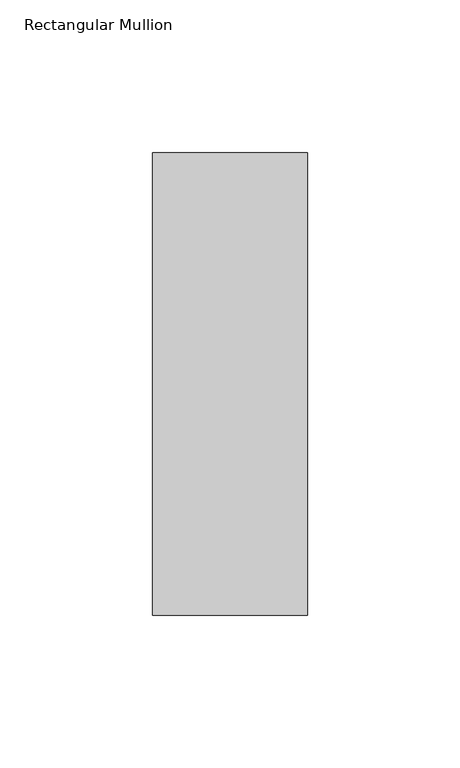
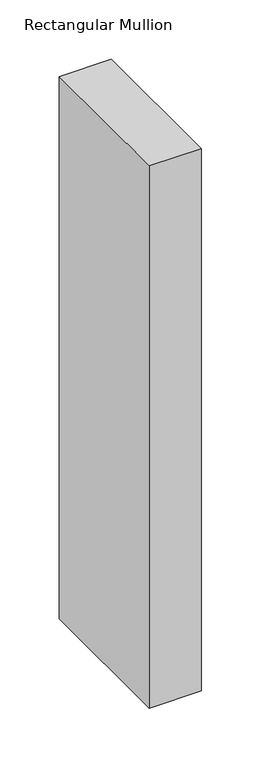
"""IFC4 building model written with IfcOpenShell, lengths in millimetres: member geometry, Rectangular Mullion."""

from ifc_helpers import new_model, si_unit, frame, origin, place, context, project, spatial, polyline, outline, extrude, source, transform, mapped, element, save


def rectangular_mullion_d26860f9(model_context):
    return source(origin(), model_context, "Body", "SweptSolid", [
        extrude(outline(polyline([(0.0, 25.796875), (0.0, -125.809375), (-50.8, -125.809375), (-50.8, 25.796875), (0.0, 25.796875)])), frame((0.0, 0.0, -558.8), z_axis=(0.0, 0.0, 1.0), x_axis=(1.0, 0.0, 0.0)), (0.0, 0.0, 1.0), 558.8),
    ])


if __name__ == "__main__":
    model = new_model("IFC4")
    model_context = context("Model", 3, world=origin())
    ifc_project = project(units=[si_unit("LENGTHUNIT", "METRE", prefix="MILLI")], contexts=[model_context])
    site = spatial("IfcSite", under=ifc_project)
    building = spatial("IfcBuilding", under=site)
    placement = place(None, origin())
    rectangular_mullion_shape = rectangular_mullion_d26860f9(model_context)
    element("IfcMember", 1, ObjectType="Rectangular Mullion", at=placement, inside=building, context=model_context, shape_type="MappedRepresentation", body=[
        mapped(rectangular_mullion_shape, transform((0.0, 0.0, 0.0), x_axis=(1.0, 0.0, 0.0), y_axis=(0.0, 1.0, 0.0), z_axis=(0.0, 0.0, 1.0))),
    ])
    save(model, "model.ifc")
